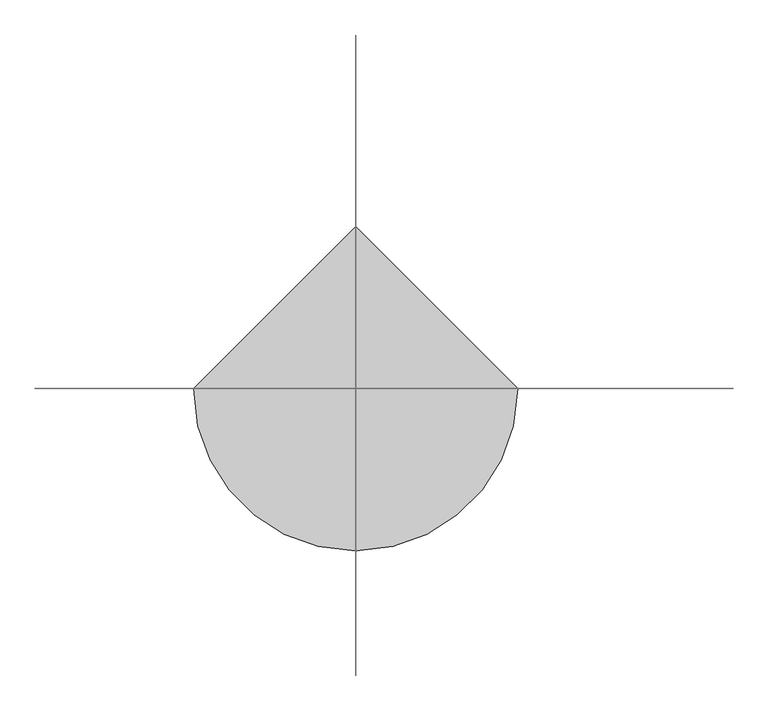
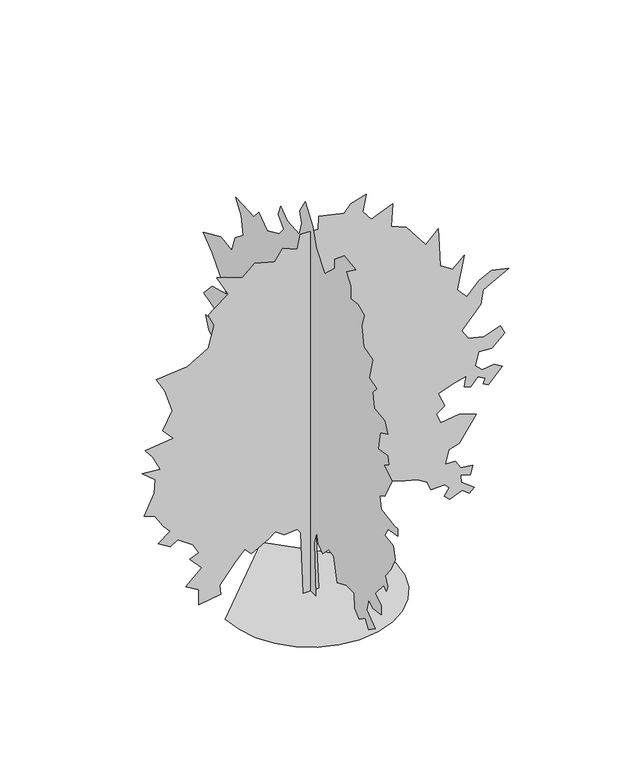
"""IFC4 building model written with IfcOpenShell, lengths in millimetres: geographic element geometry."""

from ifc_helpers import new_model, si_unit, origin, place, context, project, spatial, triangles, source, transform, mapped, element, save


def geographic_element_109fa671(model_context):
    return source(origin(), model_context, "Body", "Tessellation", [
        triangles([(-1468.9026363, 0.0, 0.000206), (-1430.0720123, -336.5758221, 0.000206), (-1319.4719318, -645.6659672, 0.000206), (-1145.9690048, -918.4163246, 0.000206), (-918.4163246, -1145.9690048, 0.000206), (-645.6659672, -1319.4719318, 0.000206), (-336.574841, -1430.0720123, 0.000206), (6.42e-05, -1468.9026363, 0.000206), (336.5758221, -1430.0720123, 0.000206), (645.6659672, -1319.4719318, 0.000206), (918.4163246, -1145.9690048, 0.000206), (1145.9690048, -918.4163246, 0.000206), (1319.4719318, -645.6659672, 0.000206), (1430.0720123, -336.574841, 0.000206), (1468.9026363, 0.0001284, 0.000206), (-0.0001926, 1468.9026363, 0.000206), (-123.6677422, 0.0, 0.0030684), (-172.4820773, -6.69e-05, 1122.7328505), (-231.0594974, -7.16e-05, 1200.8412369), (-455.6070376, -7.04e-05, 1181.3092896), (-611.8131643, -7.68e-05, 1288.7107281), (-728.9679319, -7.16e-05, 1200.8412369), (-1021.8549963, -6.17e-05, 1034.8730244), (-1139.0078745, -6.92e-05, 1161.78708), (-1304.9760143, -5.76e-05, 966.5296669), (-1568.5748955, -3.9e-05, 654.1164688), (-1549.0526859, -2.85e-05, 478.3842811), (-1929.8042999, -2.5e-05, 419.8068609), (-1929.8042999, -4.13e-05, 693.1687363), (-2154.3490242, -4.95e-05, 829.8497103), (-1880.9889656, -6.46e-05, 1083.6883587), (-2086.011335, -7.8e-05, 1308.2329376), (-1929.8042999, -8.15e-05, 1366.8094494), (-2037.196146, -9.25e-05, 1552.2998714), (-2291.0338497, -0.0001036, 1737.8000313), (-2417.94776, -9.83e-05, 1649.9305401), (-2632.7311615, -0.0001059, 1776.8541882), (-2417.94776, -0.0001152, 1933.0612232), (-2544.8714081, -0.0001234, 2069.7364563), (-2691.317411, -0.0001373, 2304.0518051), (-2867.046801, -0.0001408, 2362.6283169), (-2701.0784431, -0.0001624, 2723.8578667), (-2681.5464958, -0.0001769, 2967.9246552), (-2906.1011032, -0.000188, 3153.4246696), (-2593.6867424, -0.0001862, 3124.1316902), (-2720.600798, -0.0002019, 3387.730426), (-2857.2857689, -0.0002118, 3553.6987839), (-2369.1324257, -0.0002153, 3612.2751503), (-2554.6327309, -0.0002275, 3817.2975197), (-2388.664373, -0.0002456, 4119.9505577), (-2515.5784286, -0.00027, 4529.9952965), (-2662.0244316, -0.0002851, 4783.8234077), (-2125.0656372, -0.000288, 4832.6387421), (-1763.8360874, -0.0003009, 5047.4221436), (-1666.2055641, -0.0003235, 5428.183786), (-1763.8360874, -0.0003363, 5642.9671875), (-1666.2055641, -0.0003416, 5730.8269409), (-1422.1386303, -0.0003521, 5906.5656326), (-1617.3902298, -0.0003742, 6277.5563599), (-1490.4761742, -0.0003718, 6238.5023483), (-1178.0620314, -0.0003649, 6121.3496155), (-963.2776125, -0.0003765, 6316.6010696), (-621.5762312, -0.0003707, 6218.970401), (-484.8952572, -0.0003829, 6423.9927704), (-231.0594974, -0.0003765, 6316.6010696), (-182.2451441, -0.0003916, 6570.4384827), (130.1680176, -0.0003905, 6550.9164185), (139.9310845, -0.0004044, 6785.2218842), (579.2621352, -0.0003986, 6687.5917969), (696.4159945, -0.0004062, 6814.5154449), (960.0157476, -0.0004114, 6902.3751984), (901.4374191, -0.0003934, 6599.7314621), (1047.8813873, -0.0003823, 6414.2317383), (1418.8719692, -0.000391, 6560.6774506), (1389.5788445, -0.0003672, 6160.3937439), (1653.1777256, -0.0003608, 6053.0020432), (1985.1238884, -0.0003352, 5623.4352402), (2199.9072899, -0.000348, 5838.2186417), (2219.4294994, -0.0003288, 5516.0435394), (2238.9518543, -0.0003067, 5145.0528122), (2453.7449936, -0.0002985, 5008.3774338), (2648.9964478, -0.0003096, 5193.8678558), (2531.8437149, -0.0002747, 4608.0940178), (2697.8117821, -0.0002636, 4422.6035957), (2912.5954742, -0.000277, 4647.14832), (3127.3788757, -0.0002834, 4754.5400208), (3420.2708817, -0.0002793, 4686.2023315), (2980.9328728, -0.0002654, 4451.8869827), (2932.1274216, -0.0002502, 4198.049279), (2609.9424362, -0.0002281, 3827.0585518), (2717.3437294, -0.0002182, 3661.0904846), (2990.703788, -0.0002141, 3592.7527954), (3273.8248787, -0.00022, 3690.3834641), (3351.9236, -0.0002107, 3534.176429), (3127.3788757, -0.0001984, 3329.1540596), (2902.8341515, -0.0001996, 3348.6764145), (2844.257785, -0.0001856, 3114.3706581), (2961.4108086, -0.0001786, 2997.2176346), (3166.4331779, -0.0001804, 3026.5010216), (3303.1178581, -0.0001752, 2938.6412682), (3068.8025093, -0.00016, 2684.8035645), (2980.9328728, -0.0001629, 2733.6188988), (3010.2261429, -0.0001682, 2821.4786522), (2883.3120872, -0.0001728, 2899.5869659), (2766.1494713, -0.0001641, 2753.1412537), (2648.9964478, -0.0001664, 2792.1952652), (2688.05075, -0.0001775, 2977.6856873), (2483.0283806, -0.0001746, 2928.8703529), (2199.9072899, -0.0001682, 2821.4786522), (2317.0601681, -0.000153, 2567.6505409), (2170.6143105, -0.0001466, 2460.2588402), (2248.7226242, -0.0001356, 2274.7588257), (2561.1366943, -0.0001385, 2323.57416), (2854.0191078, -0.0001327, 2225.9434914), (2561.1366943, -0.0001071, 1796.3763977), (2385.3977119, -0.0001036, 1737.8000313), (2326.8213455, -8.9e-05, 1493.7233597), (2492.7894127, -8.9e-05, 1493.7233597), (2590.4200813, -7.97e-05, 1337.5163246), (2795.4424507, -7.8e-05, 1308.2329376), (2756.3884392, -6.87e-05, 1152.0259026), (2590.4200813, -7.16e-05, 1200.8412369), (2600.1814041, -6.4e-05, 1073.9175161), (2824.7357208, -5.35e-05, 898.1892162), (2736.8660843, -4.89e-05, 820.0866434), (2619.7133514, -5.47e-05, 917.71535), (2404.9296593, -4.95e-05, 829.8497103), (2307.299136, -5.47e-05, 917.71535), (2395.1588894, -6.23e-05, 1044.6342018), (2317.0601681, -6.69e-05, 1122.7328505), (2072.9836418, -6.69e-05, 1122.7328505), (2014.4071301, -7.62e-05, 1278.9399582), (1838.6778854, -8.26e-05, 1386.3316589), (1633.6555161, -8.55e-05, 1435.1469933), (1291.9580589, -9.19e-05, 1542.538694), (1194.3273176, -8.26e-05, 1386.3316589), (1086.9356169, -8.85e-05, 1483.9623276), (1038.1202826, -9.43e-05, 1581.5929962), (842.8599627, -9.43e-05, 1581.5929962), (745.2313288, -9.78e-05, 1640.1693626), (403.5289301, -9.25e-05, 1552.2998714), (139.9310845, -8.26e-05, 1386.3316589), (91.1161589, -6.75e-05, 1132.503693), (139.9310845, 0.0, 0.0001843), (0.0, 141.4506683, 0.0), (0.0, 121.9255157, 1025.1021818), (0.0, 219.554204, 1435.1469933), (0.0, 395.2864463, 1659.6915722), (0.0, 756.513925, 1786.6153656), (0.0, 981.0605387, 1493.7233597), (0.0, 1059.1689251, 1659.6915722), (0.0, 1361.8122253, 1562.0610489), (0.0, 1576.5957722, 1591.3540283), (0.0, 1859.7264553, 1298.4621677), (0.0, 2103.7933891, 995.8188675), (0.0, 2357.6310928, 976.2869202), (0.0, 2211.1850899, 1239.885656), (0.0, 2543.1311073, 1347.2775021), (0.0, 2347.8699154, 1435.1469933), (0.0, 2006.1627205, 1591.3540283), (0.0, 2201.4240578, 1884.2460342), (0.0, 2386.9242176, 2108.7906132), (0.0, 2308.8157585, 2372.389349), (0.0, 2465.0227936, 2694.5645966), (0.0, 2650.5230988, 2606.6952507), (0.0, 2904.3509193, 2518.8354973), (0.0, 3089.8512245, 2528.5965294), (0.0, 2875.0675323, 2821.4786522), (0.0, 3041.0358902, 2928.8703529), (0.0, 3128.9052361, 3143.6540451), (0.0, 2875.0675323, 3153.4150772), (0.0, 2836.0135208, 3397.4917488), (0.0, 3187.4816025, 3504.8834496), (0.0, 2933.6438988, 3778.2432175), (0.0, 2504.0770958, 3895.396241), (0.0, 2933.6438988, 4393.3106163), (0.0, 3207.0039574, 4598.3329857), (0.0, 2679.8061951, 4832.6387421), (0.0, 2357.6310928, 4783.8234077), (0.0, 2260.0004242, 5066.9540909), (0.0, 2006.1627205, 5271.9665771), (0.0, 2074.5100021, 5584.3806473), (0.0, 2240.4782146, 5818.6965775), (0.0, 1693.7582428, 5799.1646301), (0.0, 1557.0734173, 5965.1422897), (0.0, 1303.2357136, 5779.6419846), (0.0, 942.0102333, 5945.6103424), (0.0, 805.3292593, 6111.5787003), (0.0, 961.5353497, 6287.317392), (0.0, 893.194899, 6472.807814), (0.0, 697.9374859, 6326.3621017), (0.0, 346.472093, 6297.0784241), (0.0, 258.6064533, 6550.9164185), (0.0, 326.9459593, 6736.4068405), (0.0, 160.9768021, 7000.005867), (0.0, -63.5699661, 6687.5917969), (0.0, -170.9615305, 6365.4161133), (0.0, -424.7972903, 6043.241011), (0.0, -727.4473852, 6326.3621017), (0.0, -717.6853357, 6482.5688461), (0.0, -1010.5674585, 6726.6458084), (0.0, -1342.5135487, 6668.0691513), (0.0, -1059.3827929, 6463.0467819), (0.0, -1196.0676184, 6277.5464767), (0.0, -1196.0676184, 6053.0020432), (0.0, -1410.8510925, 6082.2950226), (0.0, -1606.1124298, 6004.1869995), (0.0, -1528.0039707, 5760.1199203), (0.0, -1586.5804825, 5418.4128708), (0.0, -1850.1792183, 5340.3141495), (0.0, -1752.5582874, 4949.7914749), (0.0, -1977.1030117, 4881.4537857), (0.0, -1859.9501335, 4754.5400208), (0.0, -1898.9945526, 4481.1799622), (0.0, -2211.4087681, 4442.1259506), (0.0, -2299.2782593, 4246.8646133), (0.0, -2074.7336803, 4139.4729126), (0.0, -2025.918346, 3817.2975197), (0.0, -2299.2782593, 3856.3518219), (0.0, -2338.3324162, 3719.666851), (0.0, -2182.1253811, 3622.0361824), (0.0, -2435.953347, 3475.6000626), (0.0, -2211.4087681, 3065.5553238), (0.0, -2064.9627651, 2987.4467194), (0.0, -2104.016922, 2762.9022858), (0.0, -2504.3006287, 2704.3259193), (0.0, -2601.9312973, 2714.0869514), (0.0, -2601.9312973, 2577.4118637), (0.0, -2318.8004688, 2528.5965294), (0.0, -2221.1698002, 2362.6283169), (0.0, -2475.0076492, 2323.57416), (0.0, -2523.8229836, 2099.0294357), (0.0, -2396.9089279, 1835.4306999), (0.0, -2230.9407154, 1630.4083305), (0.0, -2309.0394367, 1474.2011501), (0.0, -2260.2241024, 1366.8094494), (0.0, -2191.8865585, 1435.1469933), (0.0, -1928.2876774, 1122.7328505), (0.0, -2113.7780994, 1005.5799723), (0.0, -2113.7780994, 849.3729372), (0.0, -1850.1792183, 800.5585476), (0.0, -1733.0263401, 888.425132), (0.0, -1674.4499737, 673.6407131), (0.0, -1928.2876774, 478.382319), (0.0, -1733.0263401, 341.7023623), (0.0, -1625.6346394, 488.1453858), (0.0, -1449.9053947, 361.227515), (0.0, -1322.9816013, 488.1453858), (0.0, -1303.4593918, 741.9811638), (0.0, -1069.1536354, 751.7442307), (0.0, -795.7878359, 634.5893904), (0.0, -698.159202, 1054.3953066), (0.0, -541.9520943, 1073.9175161), (0.0, -361.3383368, 898.1872541), (0.0, -229.5399136, 995.8188675), (0.0, -180.7255603, 1171.5481848), (0.0, -112.3841195, 956.7646379), (0.0, -151.4363688, 0.00103)], [[15, 16, 1], [14, 15, 1], [14, 1, 2], [13, 14, 2], [13, 2, 3], [13, 3, 4], [12, 13, 4], [11, 12, 4], [11, 4, 5], [11, 5, 6], [11, 6, 7], [11, 7, 8], [11, 8, 9], [11, 9, 10], [43, 44, 45], [81, 82, 83], [86, 87, 88], [85, 86, 88], [58, 59, 60], [77, 78, 79], [46, 47, 48], [58, 60, 61], [70, 71, 72], [84, 85, 88], [73, 74, 75], [51, 52, 53], [36, 37, 38], [35, 36, 38], [31, 32, 33], [84, 88, 89], [113, 114, 115], [29, 30, 31], [123, 124, 125], [123, 125, 126], [135, 136, 137], [67, 68, 69], [99, 100, 101], [98, 99, 101], [112, 113, 115], [112, 115, 116], [143, 144, 17], [143, 17, 18], [27, 28, 29], [26, 27, 29], [40, 41, 42], [119, 120, 121], [119, 121, 122], [69, 70, 72], [26, 29, 31], [25, 26, 31], [84, 89, 90], [105, 106, 107], [104, 105, 107], [45, 46, 48], [127, 128, 129], [126, 127, 129], [123, 126, 129], [122, 123, 129], [122, 129, 130], [65, 66, 67], [92, 93, 94], [92, 94, 95], [92, 95, 96], [91, 92, 96], [101, 102, 103], [98, 101, 103], [98, 103, 104], [97, 98, 104], [97, 104, 107], [135, 137, 138], [63, 64, 65], [109, 110, 111], [142, 143, 18], [142, 18, 19], [22, 23, 24], [119, 122, 130], [118, 119, 130], [117, 118, 130], [117, 130, 131], [117, 131, 132], [55, 56, 57], [48, 49, 50], [50, 51, 53], [25, 31, 33], [24, 25, 33], [117, 132, 133], [116, 117, 133], [112, 116, 133], [112, 133, 134], [112, 134, 135], [111, 112, 135], [77, 79, 80], [61, 62, 63], [111, 135, 138], [55, 57, 58], [83, 84, 90], [109, 111, 138], [109, 138, 139], [109, 139, 140], [80, 81, 83], [24, 33, 34], [91, 96, 97], [91, 97, 107], [91, 107, 108], [91, 108, 109], [90, 91, 109], [19, 20, 21], [142, 19, 21], [50, 53, 54], [69, 72, 73], [67, 69, 73], [65, 67, 73], [65, 73, 75], [48, 50, 54], [21, 22, 24], [21, 24, 34], [58, 61, 63], [55, 58, 63], [54, 55, 63], [54, 63, 65], [54, 65, 75], [48, 54, 75], [48, 75, 76], [48, 76, 77], [48, 77, 80], [48, 80, 83], [48, 83, 90], [48, 90, 109], [48, 109, 140], [48, 140, 141], [48, 141, 142], [48, 142, 21], [48, 21, 34], [45, 48, 34], [45, 34, 35], [45, 35, 38], [45, 38, 39], [45, 39, 40], [45, 40, 42], [45, 42, 43], [157, 158, 159], [201, 202, 203], [182, 183, 184], [155, 156, 157], [166, 167, 168], [200, 201, 203], [176, 177, 178], [154, 155, 157], [149, 150, 151], [172, 173, 174], [211, 212, 213], [165, 166, 168], [194, 195, 196], [193, 194, 196], [235, 236, 237], [169, 170, 171], [243, 244, 245], [243, 245, 246], [189, 190, 191], [188, 189, 191], [157, 159, 160], [154, 157, 160], [153, 154, 160], [250, 251, 252], [234, 235, 237], [199, 200, 203], [226, 227, 228], [226, 228, 229], [225, 226, 229], [193, 196, 197], [192, 193, 197], [168, 169, 171], [258, 145, 146], [257, 258, 146], [172, 174, 175], [221, 222, 223], [215, 216, 217], [214, 215, 217], [256, 257, 146], [256, 146, 147], [209, 210, 211], [184, 185, 186], [206, 207, 208], [218, 219, 220], [218, 220, 221], [246, 247, 248], [246, 248, 249], [243, 246, 249], [242, 243, 249], [253, 254, 255], [253, 255, 256], [239, 240, 241], [238, 239, 241], [238, 241, 242], [205, 206, 208], [199, 203, 204], [199, 204, 205], [198, 199, 205], [225, 229, 230], [181, 182, 184], [175, 176, 178], [175, 178, 179], [164, 165, 168], [164, 168, 171], [230, 231, 232], [230, 232, 233], [188, 191, 192], [221, 223, 224], [181, 184, 186], [192, 197, 198], [230, 233, 234], [153, 160, 161], [161, 162, 163], [153, 161, 163], [164, 171, 172], [164, 172, 175], [218, 221, 224], [198, 205, 208], [198, 208, 209], [198, 209, 211], [188, 192, 198], [187, 188, 198], [187, 198, 211], [186, 187, 211], [181, 186, 211], [181, 211, 213], [181, 213, 214], [181, 214, 217], [181, 217, 218], [181, 218, 224], [180, 181, 224], [179, 180, 224], [175, 179, 224], [164, 175, 224], [163, 164, 224], [153, 163, 224], [152, 153, 224], [151, 152, 224], [149, 151, 224], [148, 149, 224], [148, 224, 225], [147, 148, 225], [256, 147, 225], [253, 256, 225], [252, 253, 225], [252, 225, 230], [252, 230, 234], [252, 234, 237], [252, 237, 238], [250, 252, 238], [249, 250, 238], [242, 249, 238]], closed=False),
    ])


if __name__ == "__main__":
    model = new_model("IFC4")
    model_context = context("Model", 3, world=origin())
    ifc_project = project(units=[si_unit("LENGTHUNIT", "METRE", prefix="MILLI")], contexts=[model_context])
    site = spatial("IfcSite", under=ifc_project)
    building = spatial("IfcBuilding", under=site)
    placement = place(None, origin())
    geographic_element_shape = geographic_element_109fa671(model_context)
    element("IfcGeographicElement", 1, at=placement, inside=building, context=model_context, shape_type="MappedRepresentation", body=[
        mapped(geographic_element_shape, transform((0.0, 0.0, 0.0), x_axis=(1.0, 0.0, 0.0), y_axis=(0.0, 1.0, 0.0), z_axis=(0.0, 0.0, 1.0))),
    ])
    save(model, "model.ifc")
